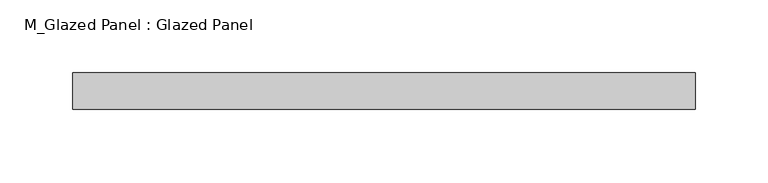
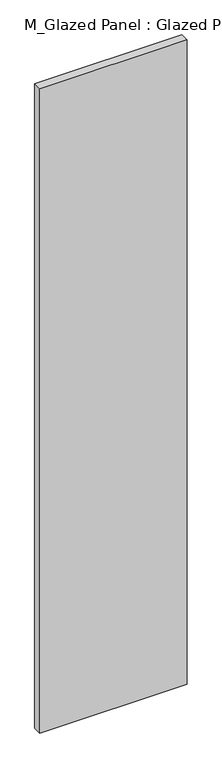
"""IFC4 building model written with IfcOpenShell, lengths in millimetres: plate geometry, M_Glazed Panel : Glazed Panel."""

from ifc_helpers import new_model, si_unit, origin, origin_with_axes, place, context, project, spatial, polyline, outline, extrude, source, transform, mapped, element, save


def m_glazed_panel_glazed_panel_34a0478a(model_context):
    return source(origin(), model_context, "Body", "SweptSolid", [
        extrude(outline(polyline([(213.6967725, -38.5), (213.6967725, -63.5), (-213.6967725, -63.5), (-213.6967725, -38.5), (213.6967725, -38.5)])), origin_with_axes(), (0.0, 0.0, 1.0), 1975.0),
    ])


if __name__ == "__main__":
    model = new_model("IFC4")
    model_context = context("Model", 3, world=origin())
    ifc_project = project(units=[si_unit("LENGTHUNIT", "METRE", prefix="MILLI")], contexts=[model_context])
    site = spatial("IfcSite", under=ifc_project)
    building = spatial("IfcBuilding", under=site)
    placement = place(None, origin())
    m_glazed_panel_glazed_panel_shape = m_glazed_panel_glazed_panel_34a0478a(model_context)
    element("IfcPlate", 1, ObjectType="M_Glazed Panel : Glazed Panel", at=placement, inside=building, context=model_context, shape_type="MappedRepresentation", body=[
        mapped(m_glazed_panel_glazed_panel_shape, transform((0.0, 0.0, 0.0), x_axis=(1.0, 0.0, 0.0), y_axis=(0.0, 1.0, 0.0), z_axis=(0.0, 0.0, 1.0))),
    ])
    save(model, "model.ifc")
